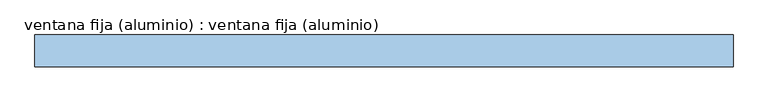
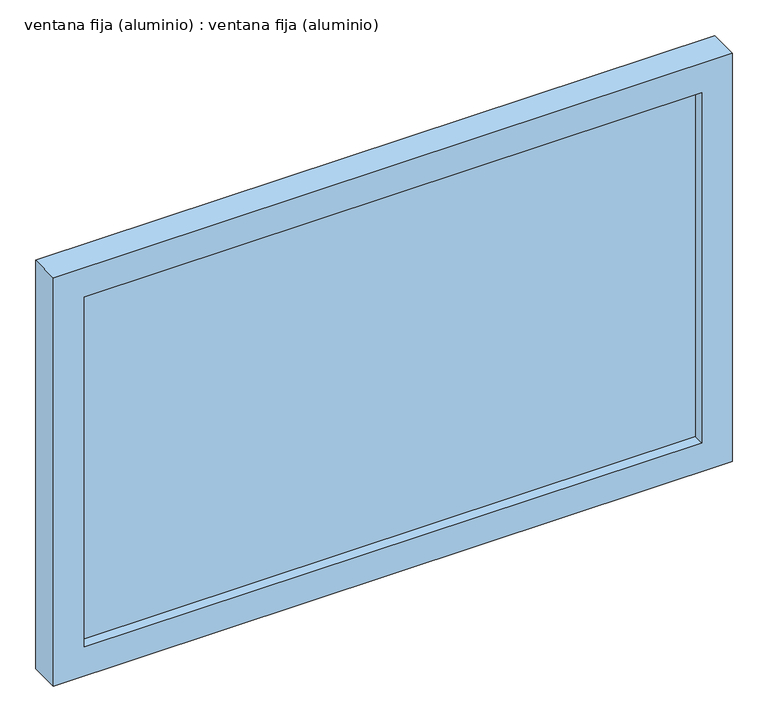
"""IFC4 building model written with IfcOpenShell, lengths in millimetres: window geometry, ventana fija (aluminio) : ventana fija (aluminio)."""

from ifc_helpers import new_model, si_unit, frame, origin, place, context, project, spatial, polyline, outline, extrude, source, transform, mapped, element, save


def ventana_fija_aluminio_ventana_fija_aluminio_cf1c93e7(model_context):
    return source(origin(), model_context, "Body", "SweptSolid", [
        extrude(outline(polyline([(500.0, 116.5), (-500.0, 116.5), (-500.0, 131.5), (500.0, 131.5), (500.0, 116.5)])), frame((0.0, 0.0, 850.0), z_axis=(0.0, 0.0, 1.0), x_axis=(1.0, 0.0, 0.0)), (0.0, 0.0, 1.0), 600.0),
        extrude(outline(polyline([(1500.0, -550.0), (800.0, -550.0), (800.0, 550.0), (1500.0, 550.0), (1500.0, -550.0)]), holes=[polyline([(1450.0, -500.0), (1450.0, 500.0), (850.0, 500.0), (850.0, -500.0), (1450.0, -500.0)])]), frame((0.0, 99.0, 0.0), z_axis=(0.0, 1.0, 0.0), x_axis=(0.0, 0.0, 1.0)), (0.0, 0.0, 1.0), 50.0),
    ])


if __name__ == "__main__":
    model = new_model("IFC4")
    model_context = context("Model", 3, world=origin())
    ifc_project = project(units=[si_unit("LENGTHUNIT", "METRE", prefix="MILLI")], contexts=[model_context])
    site = spatial("IfcSite", under=ifc_project)
    building = spatial("IfcBuilding", under=site)
    placement = place(None, origin())
    ventana_fija_aluminio_ventana_fija_aluminio_shape = ventana_fija_aluminio_ventana_fija_aluminio_cf1c93e7(model_context)
    element("IfcWindow", 1, ObjectType="ventana fija (aluminio) : ventana fija (aluminio)", at=placement, inside=building, context=model_context, shape_type="MappedRepresentation", body=[
        mapped(ventana_fija_aluminio_ventana_fija_aluminio_shape, transform((0.0, 0.0, 0.0), x_axis=(1.0, 0.0, 0.0), y_axis=(0.0, 1.0, 0.0), z_axis=(0.0, 0.0, 1.0))),
    ])
    save(model, "model.ifc")
